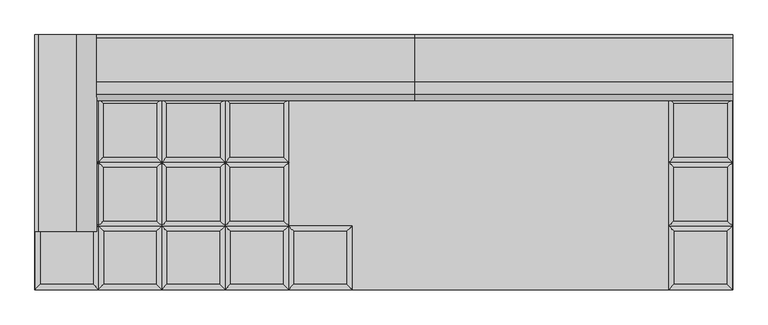
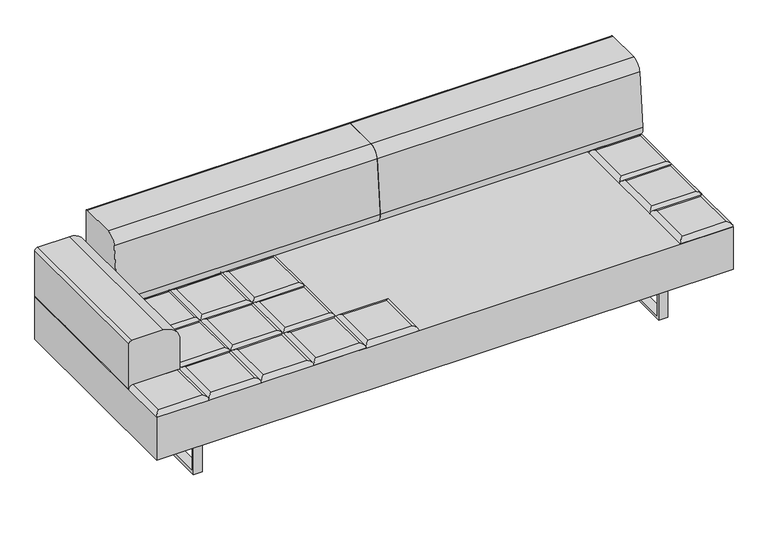
"""IFC4 building model written with IfcOpenShell, lengths in millimetres: furniture geometry."""

from ifc_helpers import new_model, si_unit, point, frame, frame_2d, origin, place, context, project, spatial, polyline, circle_curve, ellipse_curve, trimmed, segment, composite_curve, outline, extrude, source, transform, mapped, element, save
from ifc_brep_helpers import plane_surface, cylinder_surface, advanced_brep


def furniture_b0fe46d1(model_context):
    return source(origin(), model_context, "Body", "SolidModel", [
        advanced_brep(
        [(-109.855, -222.25, 393.7), (-127.8155122, -240.2105122, 411.6605122), (-127.8155122, -426.5394878, 411.6605122), (-109.855, -444.5, 393.7), (-314.1444878, -426.5394878, 411.6605122), (-332.105, -444.5, 393.7), (-314.1444878, -240.2105122, 411.6605122), (-332.105, -222.25, 393.7)],
        [
            (0, 1, ellipse_curve(frame((-127.8155122, -240.2105122, 393.7), z_axis=(0.7071067811865475, -0.7071067811865475, 0.0), x_axis=(0.7071067811865474, 0.7071067811865476, 0.0)), 25.4, 17.9605122)),
            (1, 2),
            (2, 3, ellipse_curve(frame((-127.8155122, -426.5394878, 393.7), z_axis=(0.7071067811865475, 0.7071067811865475, 0.0), x_axis=(-0.7071067811865474, 0.7071067811865476, 0.0)), 25.4, 17.9605122)),
            (3, 0),
            (2, 4),
            (4, 5, ellipse_curve(frame((-314.1444878, -426.5394878, 393.7), z_axis=(0.7071067811865475, -0.7071067811865475, 0.0), x_axis=(0.7071067811865476, 0.7071067811865474, 0.0)), 25.4, 17.9605122)),
            (5, 3),
            (4, 6),
            (6, 7, ellipse_curve(frame((-314.1444878, -240.2105122, 393.7), z_axis=(-0.7071067811865475, -0.7071067811865475, 0.0), x_axis=(0.7071067811865474, -0.7071067811865476, 0.0)), 25.4, 17.9605122)),
            (7, 5),
            (0, 7),
            (6, 1),
        ],
        [
            cylinder_surface(frame((-127.8155122, -222.25, 393.7), z_axis=(0.0, 1.0, 0.0), x_axis=(1.0, 0.0, 0.0)), 17.9605122),
            cylinder_surface(frame((-109.855, -426.5394878, 393.7), z_axis=(1.0, 0.0, 0.0), x_axis=(0.0, -1.0, 0.0)), 17.9605122),
            cylinder_surface(frame((-314.1444878, -444.5, 393.7), z_axis=(0.0, -1.0, 0.0), x_axis=(-1.0, 0.0, 0.0)), 17.9605122),
            cylinder_surface(frame((-332.105, -240.2105122, 393.7), z_axis=(-1.0, 0.0, 0.0), x_axis=(0.0, 1.0, 0.0)), 17.9605122),
            plane_surface(frame((-332.105, -222.25, 393.7), z_axis=(0.0, 0.0, -1.0), x_axis=(1.0, 0.0, 0.0))),
            plane_surface(frame((-314.1444878, -240.2105122, 411.6605122), z_axis=(0.0, 0.0, 1.0), x_axis=(-1.0, 0.0, 0.0))),
        ],
        [
            (0, [[1, 2, 3, 4]]),
            (1, [[-3, 5, 6, 7]]),
            (2, [[-6, 8, 9, 10]]),
            (3, [[-1, 11, -9, 12]]),
            (4, [[-4, -7, -10, -11]]),
            (5, [[-2, -12, -8, -5]]),
        ],
    ),
        advanced_brep(
        [(-348.7955122, -204.2894878, 411.6605122), (-348.7955122, -17.9605122, 411.6605122), (-535.1244878, -17.9605122, 411.6605122), (-535.1244878, -204.2894878, 411.6605122), (-330.835, 0.0, 393.7), (-330.835, -222.25, 393.7), (-553.085, -222.25, 393.7), (-553.085, 0.0, 393.7)],
        [
            (0, 1),
            (1, 2),
            (2, 3),
            (3, 0),
            (4, 5),
            (5, 6),
            (6, 7),
            (7, 4),
            (4, 1, ellipse_curve(frame((-348.7955122, -17.9605122, 393.7), z_axis=(0.7071067811865475, -0.7071067811865475, 0.0), x_axis=(0.7071067811865474, 0.7071067811865476, 0.0)), 25.4, 17.9605122)),
            (0, 5, ellipse_curve(frame((-348.7955122, -204.2894878, 393.7), z_axis=(0.7071067811865475, 0.7071067811865475, 0.0), x_axis=(-0.7071067811865474, 0.7071067811865476, 0.0)), 25.4, 17.9605122)),
            (3, 6, ellipse_curve(frame((-535.1244878, -204.2894878, 393.7), z_axis=(0.7071067811865475, -0.7071067811865475, 0.0), x_axis=(0.7071067811865476, 0.7071067811865474, 0.0)), 25.4, 17.9605122)),
            (2, 7, ellipse_curve(frame((-535.1244878, -17.9605122, 393.7), z_axis=(-0.7071067811865475, -0.7071067811865475, 0.0), x_axis=(0.7071067811865474, -0.7071067811865476, 0.0)), 25.4, 17.9605122)),
        ],
        [
            plane_surface(frame((-535.1244878, -17.9605122, 411.6605122), z_axis=(0.0, 0.0, 1.0), x_axis=(-1.0, 0.0, 0.0))),
            plane_surface(frame((-535.1244878, -17.9605122, 393.7), z_axis=(0.0, 0.0, -1.0), x_axis=(1.0, 0.0, 0.0))),
            cylinder_surface(frame((-348.7955122, 0.0, 393.7), z_axis=(0.0, 1.0, 0.0), x_axis=(1.0, 0.0, 0.0)), 17.9605122),
            cylinder_surface(frame((-330.835, -204.2894878, 393.7), z_axis=(1.0, 0.0, 0.0), x_axis=(0.0, -1.0, 0.0)), 17.9605122),
            cylinder_surface(frame((-535.1244878, -222.25, 393.7), z_axis=(0.0, -1.0, 0.0), x_axis=(-1.0, 0.0, 0.0)), 17.9605122),
            cylinder_surface(frame((-553.085, -17.9605122, 393.7), z_axis=(-1.0, 0.0, 0.0), x_axis=(0.0, 1.0, 0.0)), 17.9605122),
        ],
        [
            (0, [[1, 2, 3, 4]]),
            (1, [[5, 6, 7, 8]]),
            (2, [[9, -1, 10, -5]]),
            (3, [[-10, -4, 11, -6]]),
            (4, [[-11, -3, 12, -7]]),
            (5, [[-9, -8, -12, -2]]),
        ],
    ),
        advanced_brep(
        [(-348.7955122, 17.9605122, 411.6605122), (-348.7955122, 204.2894878, 411.6605122), (-535.1244878, 204.2894878, 411.6605122), (-535.1244878, 17.9605122, 411.6605122), (-330.835, 222.25, 393.7), (-330.835, 0.0, 393.7), (-553.085, 0.0, 393.7), (-553.085, 222.25, 393.7)],
        [
            (0, 1),
            (1, 2),
            (2, 3),
            (3, 0),
            (4, 5),
            (5, 6),
            (6, 7),
            (7, 4),
            (4, 1, ellipse_curve(frame((-348.7955122, 204.2894878, 393.7), z_axis=(0.7071067811865475, -0.7071067811865475, 0.0), x_axis=(0.7071067811865474, 0.7071067811865476, 0.0)), 25.4, 17.9605122)),
            (0, 5, ellipse_curve(frame((-348.7955122, 17.9605122, 393.7), z_axis=(0.7071067811865475, 0.7071067811865475, 0.0), x_axis=(-0.7071067811865474, 0.7071067811865476, 0.0)), 25.4, 17.9605122)),
            (3, 6, ellipse_curve(frame((-535.1244878, 17.9605122, 393.7), z_axis=(0.7071067811865475, -0.7071067811865475, 0.0), x_axis=(0.7071067811865476, 0.7071067811865474, 0.0)), 25.4, 17.9605122)),
            (2, 7, ellipse_curve(frame((-535.1244878, 204.2894878, 393.7), z_axis=(-0.7071067811865475, -0.7071067811865475, 0.0), x_axis=(0.7071067811865474, -0.7071067811865476, 0.0)), 25.4, 17.9605122)),
        ],
        [
            plane_surface(frame((-535.1244878, 204.2894878, 411.6605122), z_axis=(0.0, 0.0, 1.0), x_axis=(-1.0, 0.0, 0.0))),
            plane_surface(frame((-535.1244878, 204.2894878, 393.7), z_axis=(0.0, 0.0, -1.0), x_axis=(1.0, 0.0, 0.0))),
            cylinder_surface(frame((-348.7955122, 222.25, 393.7), z_axis=(0.0, 1.0, 0.0), x_axis=(1.0, 0.0, 0.0)), 17.9605122),
            cylinder_surface(frame((-330.835, 17.9605122, 393.7), z_axis=(1.0, 0.0, 0.0), x_axis=(0.0, -1.0, 0.0)), 17.9605122),
            cylinder_surface(frame((-535.1244878, 0.0, 393.7), z_axis=(0.0, -1.0, 0.0), x_axis=(-1.0, 0.0, 0.0)), 17.9605122),
            cylinder_surface(frame((-553.085, 204.2894878, 393.7), z_axis=(-1.0, 0.0, 0.0), x_axis=(0.0, 1.0, 0.0)), 17.9605122),
        ],
        [
            (0, [[1, 2, 3, 4]]),
            (1, [[5, 6, 7, 8]]),
            (2, [[9, -1, 10, -5]]),
            (3, [[-10, -4, 11, -6]]),
            (4, [[-11, -3, 12, -7]]),
            (5, [[-9, -8, -12, -2]]),
        ],
    ),
        advanced_brep(
        [(-348.7955122, 240.2105122, 411.6605122), (-348.7955122, 426.5394878, 411.6605122), (-535.1244878, 426.5394878, 411.6605122), (-535.1244878, 240.2105122, 411.6605122), (-330.835, 444.5, 393.7), (-330.835, 222.25, 393.7), (-553.085, 222.25, 393.7), (-553.085, 444.5, 393.7)],
        [
            (0, 1),
            (1, 2),
            (2, 3),
            (3, 0),
            (4, 5),
            (5, 6),
            (6, 7),
            (7, 4),
            (4, 1, ellipse_curve(frame((-348.7955122, 426.5394878, 393.7), z_axis=(0.7071067811865475, -0.7071067811865475, 0.0), x_axis=(0.7071067811865474, 0.7071067811865476, 0.0)), 25.4, 17.9605122)),
            (0, 5, ellipse_curve(frame((-348.7955122, 240.2105122, 393.7), z_axis=(0.7071067811865475, 0.7071067811865475, 0.0), x_axis=(-0.7071067811865474, 0.7071067811865476, 0.0)), 25.4, 17.9605122)),
            (3, 6, ellipse_curve(frame((-535.1244878, 240.2105122, 393.7), z_axis=(0.7071067811865475, -0.7071067811865475, 0.0), x_axis=(0.7071067811865476, 0.7071067811865474, 0.0)), 25.4, 17.9605122)),
            (2, 7, ellipse_curve(frame((-535.1244878, 426.5394878, 393.7), z_axis=(-0.7071067811865475, -0.7071067811865475, 0.0), x_axis=(0.7071067811865474, -0.7071067811865476, 0.0)), 25.4, 17.9605122)),
        ],
        [
            plane_surface(frame((-535.1244878, 426.5394878, 411.6605122), z_axis=(0.0, 0.0, 1.0), x_axis=(-1.0, 0.0, 0.0))),
            plane_surface(frame((-535.1244878, 426.5394878, 393.7), z_axis=(0.0, 0.0, -1.0), x_axis=(1.0, 0.0, 0.0))),
            cylinder_surface(frame((-348.7955122, 444.5, 393.7), z_axis=(0.0, 1.0, 0.0), x_axis=(1.0, 0.0, 0.0)), 17.9605122),
            cylinder_surface(frame((-330.835, 240.2105122, 393.7), z_axis=(1.0, 0.0, 0.0), x_axis=(0.0, -1.0, 0.0)), 17.9605122),
            cylinder_surface(frame((-535.1244878, 222.25, 393.7), z_axis=(0.0, -1.0, 0.0), x_axis=(-1.0, 0.0, 0.0)), 17.9605122),
            cylinder_surface(frame((-553.085, 426.5394878, 393.7), z_axis=(-1.0, 0.0, 0.0), x_axis=(0.0, 1.0, 0.0)), 17.9605122),
        ],
        [
            (0, [[1, 2, 3, 4]]),
            (1, [[5, 6, 7, 8]]),
            (2, [[9, -1, 10, -5]]),
            (3, [[-10, -4, 11, -6]]),
            (4, [[-11, -3, 12, -7]]),
            (5, [[-9, -8, -12, -2]]),
        ],
    ),
        advanced_brep(
        [(-330.835, -222.25, 393.7), (-348.7955122, -240.2105122, 411.6605122), (-348.7955122, -426.5394878, 411.6605122), (-330.835, -444.5, 393.7), (-535.1244878, -426.5394878, 411.6605122), (-553.085, -444.5, 393.7), (-535.1244878, -240.2105122, 411.6605122), (-553.085, -222.25, 393.7)],
        [
            (0, 1, ellipse_curve(frame((-348.7955122, -240.2105122, 393.7), z_axis=(0.7071067811865475, -0.7071067811865475, 0.0), x_axis=(0.7071067811865474, 0.7071067811865476, 0.0)), 25.4, 17.9605122)),
            (1, 2),
            (2, 3, ellipse_curve(frame((-348.7955122, -426.5394878, 393.7), z_axis=(0.7071067811865475, 0.7071067811865475, 0.0), x_axis=(-0.7071067811865474, 0.7071067811865476, 0.0)), 25.4, 17.9605122)),
            (3, 0),
            (2, 4),
            (4, 5, ellipse_curve(frame((-535.1244878, -426.5394878, 393.7), z_axis=(0.7071067811865475, -0.7071067811865475, 0.0), x_axis=(0.7071067811865476, 0.7071067811865474, 0.0)), 25.4, 17.9605122)),
            (5, 3),
            (4, 6),
            (6, 7, ellipse_curve(frame((-535.1244878, -240.2105122, 393.7), z_axis=(-0.7071067811865475, -0.7071067811865475, 0.0), x_axis=(0.7071067811865474, -0.7071067811865476, 0.0)), 25.4, 17.9605122)),
            (7, 5),
            (0, 7),
            (6, 1),
        ],
        [
            cylinder_surface(frame((-348.7955122, -222.25, 393.7), z_axis=(0.0, 1.0, 0.0), x_axis=(1.0, 0.0, 0.0)), 17.9605122),
            cylinder_surface(frame((-330.835, -426.5394878, 393.7), z_axis=(1.0, 0.0, 0.0), x_axis=(0.0, -1.0, 0.0)), 17.9605122),
            cylinder_surface(frame((-535.1244878, -444.5, 393.7), z_axis=(0.0, -1.0, 0.0), x_axis=(-1.0, 0.0, 0.0)), 17.9605122),
            cylinder_surface(frame((-553.085, -240.2105122, 393.7), z_axis=(-1.0, 0.0, 0.0), x_axis=(0.0, 1.0, 0.0)), 17.9605122),
            plane_surface(frame((-553.085, -222.25, 393.7), z_axis=(0.0, 0.0, -1.0), x_axis=(1.0, 0.0, 0.0))),
            plane_surface(frame((-535.1244878, -240.2105122, 411.6605122), z_axis=(0.0, 0.0, 1.0), x_axis=(-1.0, 0.0, 0.0))),
        ],
        [
            (0, [[1, 2, 3, 4]]),
            (1, [[-3, 5, 6, 7]]),
            (2, [[-6, 8, 9, 10]]),
            (3, [[-1, 11, -9, 12]]),
            (4, [[-4, -7, -10, -11]]),
            (5, [[-2, -12, -8, -5]]),
        ],
    ),
        advanced_brep(
        [(-569.7755122, -204.2894878, 411.6605122), (-569.7755122, -17.9605122, 411.6605122), (-756.1044878, -17.9605122, 411.6605122), (-756.1044878, -204.2894878, 411.6605122), (-551.815, 0.0, 393.7), (-551.815, -222.25, 393.7), (-774.065, -222.25, 393.7), (-774.065, 0.0, 393.7)],
        [
            (0, 1),
            (1, 2),
            (2, 3),
            (3, 0),
            (4, 5),
            (5, 6),
            (6, 7),
            (7, 4),
            (4, 1, ellipse_curve(frame((-569.7755122, -17.9605122, 393.7), z_axis=(0.7071067811865475, -0.7071067811865475, 0.0), x_axis=(0.7071067811865474, 0.7071067811865476, 0.0)), 25.4, 17.9605122)),
            (0, 5, ellipse_curve(frame((-569.7755122, -204.2894878, 393.7), z_axis=(0.7071067811865475, 0.7071067811865475, 0.0), x_axis=(-0.7071067811865474, 0.7071067811865476, 0.0)), 25.4, 17.9605122)),
            (3, 6, ellipse_curve(frame((-756.1044878, -204.2894878, 393.7), z_axis=(0.7071067811865475, -0.7071067811865475, 0.0), x_axis=(0.7071067811865476, 0.7071067811865474, 0.0)), 25.4, 17.9605122)),
            (2, 7, ellipse_curve(frame((-756.1044878, -17.9605122, 393.7), z_axis=(-0.7071067811865475, -0.7071067811865475, 0.0), x_axis=(0.7071067811865474, -0.7071067811865476, 0.0)), 25.4, 17.9605122)),
        ],
        [
            plane_surface(frame((-756.1044878, -17.9605122, 411.6605122), z_axis=(0.0, 0.0, 1.0), x_axis=(-1.0, 0.0, 0.0))),
            plane_surface(frame((-756.1044878, -17.9605122, 393.7), z_axis=(0.0, 0.0, -1.0), x_axis=(1.0, 0.0, 0.0))),
            cylinder_surface(frame((-569.7755122, 0.0, 393.7), z_axis=(0.0, 1.0, 0.0), x_axis=(1.0, 0.0, 0.0)), 17.9605122),
            cylinder_surface(frame((-551.815, -204.2894878, 393.7), z_axis=(1.0, 0.0, 0.0), x_axis=(0.0, -1.0, 0.0)), 17.9605122),
            cylinder_surface(frame((-756.1044878, -222.25, 393.7), z_axis=(0.0, -1.0, 0.0), x_axis=(-1.0, 0.0, 0.0)), 17.9605122),
            cylinder_surface(frame((-774.065, -17.9605122, 393.7), z_axis=(-1.0, 0.0, 0.0), x_axis=(0.0, 1.0, 0.0)), 17.9605122),
        ],
        [
            (0, [[1, 2, 3, 4]]),
            (1, [[5, 6, 7, 8]]),
            (2, [[9, -1, 10, -5]]),
            (3, [[-10, -4, 11, -6]]),
            (4, [[-11, -3, 12, -7]]),
            (5, [[-9, -8, -12, -2]]),
        ],
    ),
        advanced_brep(
        [(-569.7755122, 17.9605122, 411.6605122), (-569.7755122, 204.2894878, 411.6605122), (-756.1044878, 204.2894878, 411.6605122), (-756.1044878, 17.9605122, 411.6605122), (-551.815, 222.25, 393.7), (-551.815, 0.0, 393.7), (-774.065, 0.0, 393.7), (-774.065, 222.25, 393.7)],
        [
            (0, 1),
            (1, 2),
            (2, 3),
            (3, 0),
            (4, 5),
            (5, 6),
            (6, 7),
            (7, 4),
            (4, 1, ellipse_curve(frame((-569.7755122, 204.2894878, 393.7), z_axis=(0.7071067811865475, -0.7071067811865475, 0.0), x_axis=(0.7071067811865474, 0.7071067811865476, 0.0)), 25.4, 17.9605122)),
            (0, 5, ellipse_curve(frame((-569.7755122, 17.9605122, 393.7), z_axis=(0.7071067811865475, 0.7071067811865475, 0.0), x_axis=(-0.7071067811865474, 0.7071067811865476, 0.0)), 25.4, 17.9605122)),
            (3, 6, ellipse_curve(frame((-756.1044878, 17.9605122, 393.7), z_axis=(0.7071067811865475, -0.7071067811865475, 0.0), x_axis=(0.7071067811865476, 0.7071067811865474, 0.0)), 25.4, 17.9605122)),
            (2, 7, ellipse_curve(frame((-756.1044878, 204.2894878, 393.7), z_axis=(-0.7071067811865475, -0.7071067811865475, 0.0), x_axis=(0.7071067811865474, -0.7071067811865476, 0.0)), 25.4, 17.9605122)),
        ],
        [
            plane_surface(frame((-756.1044878, 204.2894878, 411.6605122), z_axis=(0.0, 0.0, 1.0), x_axis=(-1.0, 0.0, 0.0))),
            plane_surface(frame((-756.1044878, 204.2894878, 393.7), z_axis=(0.0, 0.0, -1.0), x_axis=(1.0, 0.0, 0.0))),
            cylinder_surface(frame((-569.7755122, 222.25, 393.7), z_axis=(0.0, 1.0, 0.0), x_axis=(1.0, 0.0, 0.0)), 17.9605122),
            cylinder_surface(frame((-551.815, 17.9605122, 393.7), z_axis=(1.0, 0.0, 0.0), x_axis=(0.0, -1.0, 0.0)), 17.9605122),
            cylinder_surface(frame((-756.1044878, 0.0, 393.7), z_axis=(0.0, -1.0, 0.0), x_axis=(-1.0, 0.0, 0.0)), 17.9605122),
            cylinder_surface(frame((-774.065, 204.2894878, 393.7), z_axis=(-1.0, 0.0, 0.0), x_axis=(0.0, 1.0, 0.0)), 17.9605122),
        ],
        [
            (0, [[1, 2, 3, 4]]),
            (1, [[5, 6, 7, 8]]),
            (2, [[9, -1, 10, -5]]),
            (3, [[-10, -4, 11, -6]]),
            (4, [[-11, -3, 12, -7]]),
            (5, [[-9, -8, -12, -2]]),
        ],
    ),
        advanced_brep(
        [(-569.7755122, 240.2105122, 411.6605122), (-569.7755122, 426.5394878, 411.6605122), (-756.1044878, 426.5394878, 411.6605122), (-756.1044878, 240.2105122, 411.6605122), (-551.815, 444.5, 393.7), (-551.815, 222.25, 393.7), (-774.065, 222.25, 393.7), (-774.065, 444.5, 393.7)],
        [
            (0, 1),
            (1, 2),
            (2, 3),
            (3, 0),
            (4, 5),
            (5, 6),
            (6, 7),
            (7, 4),
            (4, 1, ellipse_curve(frame((-569.7755122, 426.5394878, 393.7), z_axis=(0.7071067811865475, -0.7071067811865475, 0.0), x_axis=(0.7071067811865474, 0.7071067811865476, 0.0)), 25.4, 17.9605122)),
            (0, 5, ellipse_curve(frame((-569.7755122, 240.2105122, 393.7), z_axis=(0.7071067811865475, 0.7071067811865475, 0.0), x_axis=(-0.7071067811865474, 0.7071067811865476, 0.0)), 25.4, 17.9605122)),
            (3, 6, ellipse_curve(frame((-756.1044878, 240.2105122, 393.7), z_axis=(0.7071067811865475, -0.7071067811865475, 0.0), x_axis=(0.7071067811865476, 0.7071067811865474, 0.0)), 25.4, 17.9605122)),
            (2, 7, ellipse_curve(frame((-756.1044878, 426.5394878, 393.7), z_axis=(-0.7071067811865475, -0.7071067811865475, 0.0), x_axis=(0.7071067811865474, -0.7071067811865476, 0.0)), 25.4, 17.9605122)),
        ],
        [
            plane_surface(frame((-756.1044878, 426.5394878, 411.6605122), z_axis=(0.0, 0.0, 1.0), x_axis=(-1.0, 0.0, 0.0))),
            plane_surface(frame((-756.1044878, 426.5394878, 393.7), z_axis=(0.0, 0.0, -1.0), x_axis=(1.0, 0.0, 0.0))),
            cylinder_surface(frame((-569.7755122, 444.5, 393.7), z_axis=(0.0, 1.0, 0.0), x_axis=(1.0, 0.0, 0.0)), 17.9605122),
            cylinder_surface(frame((-551.815, 240.2105122, 393.7), z_axis=(1.0, 0.0, 0.0), x_axis=(0.0, -1.0, 0.0)), 17.9605122),
            cylinder_surface(frame((-756.1044878, 222.25, 393.7), z_axis=(0.0, -1.0, 0.0), x_axis=(-1.0, 0.0, 0.0)), 17.9605122),
            cylinder_surface(frame((-774.065, 426.5394878, 393.7), z_axis=(-1.0, 0.0, 0.0), x_axis=(0.0, 1.0, 0.0)), 17.9605122),
        ],
        [
            (0, [[1, 2, 3, 4]]),
            (1, [[5, 6, 7, 8]]),
            (2, [[9, -1, 10, -5]]),
            (3, [[-10, -4, 11, -6]]),
            (4, [[-11, -3, 12, -7]]),
            (5, [[-9, -8, -12, -2]]),
        ],
    ),
        advanced_brep(
        [(-551.815, -222.25, 393.7), (-569.7755122, -240.2105122, 411.6605122), (-569.7755122, -426.5394878, 411.6605122), (-551.815, -444.5, 393.7), (-756.1044878, -426.5394878, 411.6605122), (-774.065, -444.5, 393.7), (-756.1044878, -240.2105122, 411.6605122), (-774.065, -222.25, 393.7)],
        [
            (0, 1, ellipse_curve(frame((-569.7755122, -240.2105122, 393.7), z_axis=(0.7071067811865475, -0.7071067811865475, 0.0), x_axis=(0.7071067811865474, 0.7071067811865476, 0.0)), 25.4, 17.9605122)),
            (1, 2),
            (2, 3, ellipse_curve(frame((-569.7755122, -426.5394878, 393.7), z_axis=(0.7071067811865475, 0.7071067811865475, 0.0), x_axis=(-0.7071067811865474, 0.7071067811865476, 0.0)), 25.4, 17.9605122)),
            (3, 0),
            (2, 4),
            (4, 5, ellipse_curve(frame((-756.1044878, -426.5394878, 393.7), z_axis=(0.7071067811865475, -0.7071067811865475, 0.0), x_axis=(0.7071067811865476, 0.7071067811865474, 0.0)), 25.4, 17.9605122)),
            (5, 3),
            (4, 6),
            (6, 7, ellipse_curve(frame((-756.1044878, -240.2105122, 393.7), z_axis=(-0.7071067811865475, -0.7071067811865475, 0.0), x_axis=(0.7071067811865474, -0.7071067811865476, 0.0)), 25.4, 17.9605122)),
            (7, 5),
            (0, 7),
            (6, 1),
        ],
        [
            cylinder_surface(frame((-569.7755122, -222.25, 393.7), z_axis=(0.0, 1.0, 0.0), x_axis=(1.0, 0.0, 0.0)), 17.9605122),
            cylinder_surface(frame((-551.815, -426.5394878, 393.7), z_axis=(1.0, 0.0, 0.0), x_axis=(0.0, -1.0, 0.0)), 17.9605122),
            cylinder_surface(frame((-756.1044878, -444.5, 393.7), z_axis=(0.0, -1.0, 0.0), x_axis=(-1.0, 0.0, 0.0)), 17.9605122),
            cylinder_surface(frame((-774.065, -240.2105122, 393.7), z_axis=(-1.0, 0.0, 0.0), x_axis=(0.0, 1.0, 0.0)), 17.9605122),
            plane_surface(frame((-774.065, -222.25, 393.7), z_axis=(0.0, 0.0, -1.0), x_axis=(1.0, 0.0, 0.0))),
            plane_surface(frame((-756.1044878, -240.2105122, 411.6605122), z_axis=(0.0, 0.0, 1.0), x_axis=(-1.0, 0.0, 0.0))),
        ],
        [
            (0, [[1, 2, 3, 4]]),
            (1, [[-3, 5, 6, 7]]),
            (2, [[-6, 8, 9, 10]]),
            (3, [[-1, 11, -9, 12]]),
            (4, [[-4, -7, -10, -11]]),
            (5, [[-2, -12, -8, -5]]),
        ],
    ),
        advanced_brep(
        [(-790.7555122, -204.2894878, 411.6605122), (-790.7555122, -17.9605122, 411.6605122), (-977.0844878, -17.9605122, 411.6605122), (-977.0844878, -204.2894878, 411.6605122), (-772.795, 0.0, 393.7), (-772.795, -222.25, 393.7), (-995.045, -222.25, 393.7), (-995.045, 0.0, 393.7)],
        [
            (0, 1),
            (1, 2),
            (2, 3),
            (3, 0),
            (4, 5),
            (5, 6),
            (6, 7),
            (7, 4),
            (4, 1, ellipse_curve(frame((-790.7555122, -17.9605122, 393.7), z_axis=(0.7071067811865475, -0.7071067811865475, 0.0), x_axis=(0.7071067811865474, 0.7071067811865476, 0.0)), 25.4, 17.9605122)),
            (0, 5, ellipse_curve(frame((-790.7555122, -204.2894878, 393.7), z_axis=(0.7071067811865475, 0.7071067811865475, 0.0), x_axis=(-0.7071067811865474, 0.7071067811865476, 0.0)), 25.4, 17.9605122)),
            (3, 6, ellipse_curve(frame((-977.0844878, -204.2894878, 393.7), z_axis=(0.7071067811865475, -0.7071067811865475, 0.0), x_axis=(0.7071067811865476, 0.7071067811865474, 0.0)), 25.4, 17.9605122)),
            (2, 7, ellipse_curve(frame((-977.0844878, -17.9605122, 393.7), z_axis=(-0.7071067811865475, -0.7071067811865475, 0.0), x_axis=(0.7071067811865474, -0.7071067811865476, 0.0)), 25.4, 17.9605122)),
        ],
        [
            plane_surface(frame((-977.0844878, -17.9605122, 411.6605122), z_axis=(0.0, 0.0, 1.0), x_axis=(-1.0, 0.0, 0.0))),
            plane_surface(frame((-977.0844878, -17.9605122, 393.7), z_axis=(0.0, 0.0, -1.0), x_axis=(1.0, 0.0, 0.0))),
            cylinder_surface(frame((-790.7555122, 0.0, 393.7), z_axis=(0.0, 1.0, 0.0), x_axis=(1.0, 0.0, 0.0)), 17.9605122),
            cylinder_surface(frame((-772.795, -204.2894878, 393.7), z_axis=(1.0, 0.0, 0.0), x_axis=(0.0, -1.0, 0.0)), 17.9605122),
            cylinder_surface(frame((-977.0844878, -222.25, 393.7), z_axis=(0.0, -1.0, 0.0), x_axis=(-1.0, 0.0, 0.0)), 17.9605122),
            cylinder_surface(frame((-995.045, -17.9605122, 393.7), z_axis=(-1.0, 0.0, 0.0), x_axis=(0.0, 1.0, 0.0)), 17.9605122),
        ],
        [
            (0, [[1, 2, 3, 4]]),
            (1, [[5, 6, 7, 8]]),
            (2, [[9, -1, 10, -5]]),
            (3, [[-10, -4, 11, -6]]),
            (4, [[-11, -3, 12, -7]]),
            (5, [[-9, -8, -12, -2]]),
        ],
    ),
        advanced_brep(
        [(-790.7555122, 17.9605122, 411.6605122), (-790.7555122, 204.2894878, 411.6605122), (-977.0844878, 204.2894878, 411.6605122), (-977.0844878, 17.9605122, 411.6605122), (-772.795, 222.25, 393.7), (-772.795, 0.0, 393.7), (-995.045, 0.0, 393.7), (-995.045, 222.25, 393.7)],
        [
            (0, 1),
            (1, 2),
            (2, 3),
            (3, 0),
            (4, 5),
            (5, 6),
            (6, 7),
            (7, 4),
            (4, 1, ellipse_curve(frame((-790.7555122, 204.2894878, 393.7), z_axis=(0.7071067811865475, -0.7071067811865475, 0.0), x_axis=(0.7071067811865474, 0.7071067811865476, 0.0)), 25.4, 17.9605122)),
            (0, 5, ellipse_curve(frame((-790.7555122, 17.9605122, 393.7), z_axis=(0.7071067811865475, 0.7071067811865475, 0.0), x_axis=(-0.7071067811865474, 0.7071067811865476, 0.0)), 25.4, 17.9605122)),
            (3, 6, ellipse_curve(frame((-977.0844878, 17.9605122, 393.7), z_axis=(0.7071067811865475, -0.7071067811865475, 0.0), x_axis=(0.7071067811865476, 0.7071067811865474, 0.0)), 25.4, 17.9605122)),
            (2, 7, ellipse_curve(frame((-977.0844878, 204.2894878, 393.7), z_axis=(-0.7071067811865475, -0.7071067811865475, 0.0), x_axis=(0.7071067811865474, -0.7071067811865476, 0.0)), 25.4, 17.9605122)),
        ],
        [
            plane_surface(frame((-977.0844878, 204.2894878, 411.6605122), z_axis=(0.0, 0.0, 1.0), x_axis=(-1.0, 0.0, 0.0))),
            plane_surface(frame((-977.0844878, 204.2894878, 393.7), z_axis=(0.0, 0.0, -1.0), x_axis=(1.0, 0.0, 0.0))),
            cylinder_surface(frame((-790.7555122, 222.25, 393.7), z_axis=(0.0, 1.0, 0.0), x_axis=(1.0, 0.0, 0.0)), 17.9605122),
            cylinder_surface(frame((-772.795, 17.9605122, 393.7), z_axis=(1.0, 0.0, 0.0), x_axis=(0.0, -1.0, 0.0)), 17.9605122),
            cylinder_surface(frame((-977.0844878, 0.0, 393.7), z_axis=(0.0, -1.0, 0.0), x_axis=(-1.0, 0.0, 0.0)), 17.9605122),
            cylinder_surface(frame((-995.045, 204.2894878, 393.7), z_axis=(-1.0, 0.0, 0.0), x_axis=(0.0, 1.0, 0.0)), 17.9605122),
        ],
        [
            (0, [[1, 2, 3, 4]]),
            (1, [[5, 6, 7, 8]]),
            (2, [[9, -1, 10, -5]]),
            (3, [[-10, -4, 11, -6]]),
            (4, [[-11, -3, 12, -7]]),
            (5, [[-9, -8, -12, -2]]),
        ],
    ),
        advanced_brep(
        [(-790.7555122, 240.2105122, 411.6605122), (-790.7555122, 426.5394878, 411.6605122), (-977.0844878, 426.5394878, 411.6605122), (-977.0844878, 240.2105122, 411.6605122), (-772.795, 444.5, 393.7), (-772.795, 222.25, 393.7), (-995.045, 222.25, 393.7), (-995.045, 444.5, 393.7)],
        [
            (0, 1),
            (1, 2),
            (2, 3),
            (3, 0),
            (4, 5),
            (5, 6),
            (6, 7),
            (7, 4),
            (4, 1, ellipse_curve(frame((-790.7555122, 426.5394878, 393.7), z_axis=(0.7071067811865475, -0.7071067811865475, 0.0), x_axis=(0.7071067811865474, 0.7071067811865476, 0.0)), 25.4, 17.9605122)),
            (0, 5, ellipse_curve(frame((-790.7555122, 240.2105122, 393.7), z_axis=(0.7071067811865475, 0.7071067811865475, 0.0), x_axis=(-0.7071067811865474, 0.7071067811865476, 0.0)), 25.4, 17.9605122)),
            (3, 6, ellipse_curve(frame((-977.0844878, 240.2105122, 393.7), z_axis=(0.7071067811865475, -0.7071067811865475, 0.0), x_axis=(0.7071067811865476, 0.7071067811865474, 0.0)), 25.4, 17.9605122)),
            (2, 7, ellipse_curve(frame((-977.0844878, 426.5394878, 393.7), z_axis=(-0.7071067811865475, -0.7071067811865475, 0.0), x_axis=(0.7071067811865474, -0.7071067811865476, 0.0)), 25.4, 17.9605122)),
        ],
        [
            plane_surface(frame((-977.0844878, 426.5394878, 411.6605122), z_axis=(0.0, 0.0, 1.0), x_axis=(-1.0, 0.0, 0.0))),
            plane_surface(frame((-977.0844878, 426.5394878, 393.7), z_axis=(0.0, 0.0, -1.0), x_axis=(1.0, 0.0, 0.0))),
            cylinder_surface(frame((-790.7555122, 444.5, 393.7), z_axis=(0.0, 1.0, 0.0), x_axis=(1.0, 0.0, 0.0)), 17.9605122),
            cylinder_surface(frame((-772.795, 240.2105122, 393.7), z_axis=(1.0, 0.0, 0.0), x_axis=(0.0, -1.0, 0.0)), 17.9605122),
            cylinder_surface(frame((-977.0844878, 222.25, 393.7), z_axis=(0.0, -1.0, 0.0), x_axis=(-1.0, 0.0, 0.0)), 17.9605122),
            cylinder_surface(frame((-995.045, 426.5394878, 393.7), z_axis=(-1.0, 0.0, 0.0), x_axis=(0.0, 1.0, 0.0)), 17.9605122),
        ],
        [
            (0, [[1, 2, 3, 4]]),
            (1, [[5, 6, 7, 8]]),
            (2, [[9, -1, 10, -5]]),
            (3, [[-10, -4, 11, -6]]),
            (4, [[-11, -3, 12, -7]]),
            (5, [[-9, -8, -12, -2]]),
        ],
    ),
        advanced_brep(
        [(-772.795, -222.25, 393.7), (-790.7555122, -240.2105122, 411.6605122), (-790.7555122, -426.5394878, 411.6605122), (-772.795, -444.5, 393.7), (-977.0844878, -426.5394878, 411.6605122), (-995.045, -444.5, 393.7), (-977.0844878, -240.2105122, 411.6605122), (-995.045, -222.25, 393.7)],
        [
            (0, 1, ellipse_curve(frame((-790.7555122, -240.2105122, 393.7), z_axis=(0.7071067811865475, -0.7071067811865475, 0.0), x_axis=(0.7071067811865474, 0.7071067811865476, 0.0)), 25.4, 17.9605122)),
            (1, 2),
            (2, 3, ellipse_curve(frame((-790.7555122, -426.5394878, 393.7), z_axis=(0.7071067811865475, 0.7071067811865475, 0.0), x_axis=(-0.7071067811865474, 0.7071067811865476, 0.0)), 25.4, 17.9605122)),
            (3, 0),
            (2, 4),
            (4, 5, ellipse_curve(frame((-977.0844878, -426.5394878, 393.7), z_axis=(0.7071067811865475, -0.7071067811865475, 0.0), x_axis=(0.7071067811865476, 0.7071067811865474, 0.0)), 25.4, 17.9605122)),
            (5, 3),
            (4, 6),
            (6, 7, ellipse_curve(frame((-977.0844878, -240.2105122, 393.7), z_axis=(-0.7071067811865475, -0.7071067811865475, 0.0), x_axis=(0.7071067811865474, -0.7071067811865476, 0.0)), 25.4, 17.9605122)),
            (7, 5),
            (0, 7),
            (6, 1),
        ],
        [
            cylinder_surface(frame((-790.7555122, -222.25, 393.7), z_axis=(0.0, 1.0, 0.0), x_axis=(1.0, 0.0, 0.0)), 17.9605122),
            cylinder_surface(frame((-772.795, -426.5394878, 393.7), z_axis=(1.0, 0.0, 0.0), x_axis=(0.0, -1.0, 0.0)), 17.9605122),
            cylinder_surface(frame((-977.0844878, -444.5, 393.7), z_axis=(0.0, -1.0, 0.0), x_axis=(-1.0, 0.0, 0.0)), 17.9605122),
            cylinder_surface(frame((-995.045, -240.2105122, 393.7), z_axis=(-1.0, 0.0, 0.0), x_axis=(0.0, 1.0, 0.0)), 17.9605122),
            plane_surface(frame((-995.045, -222.25, 393.7), z_axis=(0.0, 0.0, -1.0), x_axis=(1.0, 0.0, 0.0))),
            plane_surface(frame((-977.0844878, -240.2105122, 411.6605122), z_axis=(0.0, 0.0, 1.0), x_axis=(-1.0, 0.0, 0.0))),
        ],
        [
            (0, [[1, 2, 3, 4]]),
            (1, [[-3, 5, 6, 7]]),
            (2, [[-6, 8, 9, 10]]),
            (3, [[-1, 11, -9, 12]]),
            (4, [[-4, -7, -10, -11]]),
            (5, [[-2, -12, -8, -5]]),
        ],
    ),
        advanced_brep(
        [(1198.0644878, -204.2894878, 411.6605122), (1198.0644878, -17.9605122, 411.6605122), (1011.7355122, -17.9605122, 411.6605122), (1011.7355122, -204.2894878, 411.6605122), (1216.025, 0.0, 393.7), (1216.025, -222.25, 393.7), (993.775, -222.25, 393.7), (993.775, 0.0, 393.7)],
        [
            (0, 1),
            (1, 2),
            (2, 3),
            (3, 0),
            (4, 5),
            (5, 6),
            (6, 7),
            (7, 4),
            (4, 1, ellipse_curve(frame((1198.0644878, -17.9605122, 393.7), z_axis=(0.7071067811865475, -0.7071067811865475, 0.0), x_axis=(0.7071067811865474, 0.7071067811865476, 0.0)), 25.4, 17.9605122)),
            (0, 5, ellipse_curve(frame((1198.0644878, -204.2894878, 393.7), z_axis=(0.7071067811865475, 0.7071067811865475, 0.0), x_axis=(-0.7071067811865474, 0.7071067811865476, 0.0)), 25.4, 17.9605122)),
            (3, 6, ellipse_curve(frame((1011.7355122, -204.2894878, 393.7), z_axis=(0.7071067811865475, -0.7071067811865475, 0.0), x_axis=(0.7071067811865476, 0.7071067811865474, 0.0)), 25.4, 17.9605122)),
            (2, 7, ellipse_curve(frame((1011.7355122, -17.9605122, 393.7), z_axis=(-0.7071067811865475, -0.7071067811865475, 0.0), x_axis=(0.7071067811865474, -0.7071067811865476, 0.0)), 25.4, 17.9605122)),
        ],
        [
            plane_surface(frame((1011.7355122, -17.9605122, 411.6605122), z_axis=(0.0, 0.0, 1.0), x_axis=(-1.0, 0.0, 0.0))),
            plane_surface(frame((1011.7355122, -17.9605122, 393.7), z_axis=(0.0, 0.0, -1.0), x_axis=(1.0, 0.0, 0.0))),
            cylinder_surface(frame((1198.0644878, 0.0, 393.7), z_axis=(0.0, 1.0, 0.0), x_axis=(1.0, 0.0, 0.0)), 17.9605122),
            cylinder_surface(frame((1216.025, -204.2894878, 393.7), z_axis=(1.0, 0.0, 0.0), x_axis=(0.0, -1.0, 0.0)), 17.9605122),
            cylinder_surface(frame((1011.7355122, -222.25, 393.7), z_axis=(0.0, -1.0, 0.0), x_axis=(-1.0, 0.0, 0.0)), 17.9605122),
            cylinder_surface(frame((993.775, -17.9605122, 393.7), z_axis=(-1.0, 0.0, 0.0), x_axis=(0.0, 1.0, 0.0)), 17.9605122),
        ],
        [
            (0, [[1, 2, 3, 4]]),
            (1, [[5, 6, 7, 8]]),
            (2, [[9, -1, 10, -5]]),
            (3, [[-10, -4, 11, -6]]),
            (4, [[-11, -3, 12, -7]]),
            (5, [[-9, -8, -12, -2]]),
        ],
    ),
        advanced_brep(
        [(1198.0644878, 17.9605122, 411.6605122), (1198.0644878, 204.2894878, 411.6605122), (1011.7355122, 204.2894878, 411.6605122), (1011.7355122, 17.9605122, 411.6605122), (1216.025, 222.25, 393.7), (1216.025, 0.0, 393.7), (993.775, 0.0, 393.7), (993.775, 222.25, 393.7)],
        [
            (0, 1),
            (1, 2),
            (2, 3),
            (3, 0),
            (4, 5),
            (5, 6),
            (6, 7),
            (7, 4),
            (4, 1, ellipse_curve(frame((1198.0644878, 204.2894878, 393.7), z_axis=(0.7071067811865475, -0.7071067811865475, 0.0), x_axis=(0.7071067811865474, 0.7071067811865476, 0.0)), 25.4, 17.9605122)),
            (0, 5, ellipse_curve(frame((1198.0644878, 17.9605122, 393.7), z_axis=(0.7071067811865475, 0.7071067811865475, 0.0), x_axis=(-0.7071067811865474, 0.7071067811865476, 0.0)), 25.4, 17.9605122)),
            (3, 6, ellipse_curve(frame((1011.7355122, 17.9605122, 393.7), z_axis=(0.7071067811865475, -0.7071067811865475, 0.0), x_axis=(0.7071067811865476, 0.7071067811865474, 0.0)), 25.4, 17.9605122)),
            (2, 7, ellipse_curve(frame((1011.7355122, 204.2894878, 393.7), z_axis=(-0.7071067811865475, -0.7071067811865475, 0.0), x_axis=(0.7071067811865474, -0.7071067811865476, 0.0)), 25.4, 17.9605122)),
        ],
        [
            plane_surface(frame((1011.7355122, 204.2894878, 411.6605122), z_axis=(0.0, 0.0, 1.0), x_axis=(-1.0, 0.0, 0.0))),
            plane_surface(frame((1011.7355122, 204.2894878, 393.7), z_axis=(0.0, 0.0, -1.0), x_axis=(1.0, 0.0, 0.0))),
            cylinder_surface(frame((1198.0644878, 222.25, 393.7), z_axis=(0.0, 1.0, 0.0), x_axis=(1.0, 0.0, 0.0)), 17.9605122),
            cylinder_surface(frame((1216.025, 17.9605122, 393.7), z_axis=(1.0, 0.0, 0.0), x_axis=(0.0, -1.0, 0.0)), 17.9605122),
            cylinder_surface(frame((1011.7355122, 0.0, 393.7), z_axis=(0.0, -1.0, 0.0), x_axis=(-1.0, 0.0, 0.0)), 17.9605122),
            cylinder_surface(frame((993.775, 204.2894878, 393.7), z_axis=(-1.0, 0.0, 0.0), x_axis=(0.0, 1.0, 0.0)), 17.9605122),
        ],
        [
            (0, [[1, 2, 3, 4]]),
            (1, [[5, 6, 7, 8]]),
            (2, [[9, -1, 10, -5]]),
            (3, [[-10, -4, 11, -6]]),
            (4, [[-11, -3, 12, -7]]),
            (5, [[-9, -8, -12, -2]]),
        ],
    ),
        advanced_brep(
        [(1198.0644878, 240.2105122, 411.6605122), (1198.0644878, 426.5394878, 411.6605122), (1011.7355122, 426.5394878, 411.6605122), (1011.7355122, 240.2105122, 411.6605122), (1216.025, 444.5, 393.7), (1216.025, 222.25, 393.7), (993.775, 222.25, 393.7), (993.775, 444.5, 393.7)],
        [
            (0, 1),
            (1, 2),
            (2, 3),
            (3, 0),
            (4, 5),
            (5, 6),
            (6, 7),
            (7, 4),
            (4, 1, ellipse_curve(frame((1198.0644878, 426.5394878, 393.7), z_axis=(0.7071067811865475, -0.7071067811865475, 0.0), x_axis=(0.7071067811865474, 0.7071067811865476, 0.0)), 25.4, 17.9605122)),
            (0, 5, ellipse_curve(frame((1198.0644878, 240.2105122, 393.7), z_axis=(0.7071067811865475, 0.7071067811865475, 0.0), x_axis=(-0.7071067811865474, 0.7071067811865476, 0.0)), 25.4, 17.9605122)),
            (3, 6, ellipse_curve(frame((1011.7355122, 240.2105122, 393.7), z_axis=(0.7071067811865475, -0.7071067811865475, 0.0), x_axis=(0.7071067811865476, 0.7071067811865474, 0.0)), 25.4, 17.9605122)),
            (2, 7, ellipse_curve(frame((1011.7355122, 426.5394878, 393.7), z_axis=(-0.7071067811865475, -0.7071067811865475, 0.0), x_axis=(0.7071067811865474, -0.7071067811865476, 0.0)), 25.4, 17.9605122)),
        ],
        [
            plane_surface(frame((1011.7355122, 426.5394878, 411.6605122), z_axis=(0.0, 0.0, 1.0), x_axis=(-1.0, 0.0, 0.0))),
            plane_surface(frame((1011.7355122, 426.5394878, 393.7), z_axis=(0.0, 0.0, -1.0), x_axis=(1.0, 0.0, 0.0))),
            cylinder_surface(frame((1198.0644878, 444.5, 393.7), z_axis=(0.0, 1.0, 0.0), x_axis=(1.0, 0.0, 0.0)), 17.9605122),
            cylinder_surface(frame((1216.025, 240.2105122, 393.7), z_axis=(1.0, 0.0, 0.0), x_axis=(0.0, -1.0, 0.0)), 17.9605122),
            cylinder_surface(frame((1011.7355122, 222.25, 393.7), z_axis=(0.0, -1.0, 0.0), x_axis=(-1.0, 0.0, 0.0)), 17.9605122),
            cylinder_surface(frame((993.775, 426.5394878, 393.7), z_axis=(-1.0, 0.0, 0.0), x_axis=(0.0, 1.0, 0.0)), 17.9605122),
        ],
        [
            (0, [[1, 2, 3, 4]]),
            (1, [[5, 6, 7, 8]]),
            (2, [[9, -1, 10, -5]]),
            (3, [[-10, -4, 11, -6]]),
            (4, [[-11, -3, 12, -7]]),
            (5, [[-9, -8, -12, -2]]),
        ],
    ),
        advanced_brep(
        [(1216.025, -222.25, 393.7), (1198.0644878, -240.2105122, 411.6605122), (1198.0644878, -426.5394878, 411.6605122), (1216.025, -444.5, 393.7), (1011.7355122, -426.5394878, 411.6605122), (993.775, -444.5, 393.7), (1011.7355122, -240.2105122, 411.6605122), (993.775, -222.25, 393.7)],
        [
            (0, 1, ellipse_curve(frame((1198.0644878, -240.2105122, 393.7), z_axis=(0.7071067811865475, -0.7071067811865475, 0.0), x_axis=(0.7071067811865474, 0.7071067811865476, 0.0)), 25.4, 17.9605122)),
            (1, 2),
            (2, 3, ellipse_curve(frame((1198.0644878, -426.5394878, 393.7), z_axis=(0.7071067811865475, 0.7071067811865475, 0.0), x_axis=(-0.7071067811865474, 0.7071067811865476, 0.0)), 25.4, 17.9605122)),
            (3, 0),
            (2, 4),
            (4, 5, ellipse_curve(frame((1011.7355122, -426.5394878, 393.7), z_axis=(0.7071067811865475, -0.7071067811865475, 0.0), x_axis=(0.7071067811865476, 0.7071067811865474, 0.0)), 25.4, 17.9605122)),
            (5, 3),
            (4, 6),
            (6, 7, ellipse_curve(frame((1011.7355122, -240.2105122, 393.7), z_axis=(-0.7071067811865475, -0.7071067811865475, 0.0), x_axis=(0.7071067811865474, -0.7071067811865476, 0.0)), 25.4, 17.9605122)),
            (7, 5),
            (0, 7),
            (6, 1),
        ],
        [
            cylinder_surface(frame((1198.0644878, -222.25, 393.7), z_axis=(0.0, 1.0, 0.0), x_axis=(1.0, 0.0, 0.0)), 17.9605122),
            cylinder_surface(frame((1216.025, -426.5394878, 393.7), z_axis=(1.0, 0.0, 0.0), x_axis=(0.0, -1.0, 0.0)), 17.9605122),
            cylinder_surface(frame((1011.7355122, -444.5, 393.7), z_axis=(0.0, -1.0, 0.0), x_axis=(-1.0, 0.0, 0.0)), 17.9605122),
            cylinder_surface(frame((993.775, -240.2105122, 393.7), z_axis=(-1.0, 0.0, 0.0), x_axis=(0.0, 1.0, 0.0)), 17.9605122),
            plane_surface(frame((993.775, -222.25, 393.7), z_axis=(0.0, 0.0, -1.0), x_axis=(1.0, 0.0, 0.0))),
            plane_surface(frame((1011.7355122, -240.2105122, 411.6605122), z_axis=(0.0, 0.0, 1.0), x_axis=(-1.0, 0.0, 0.0))),
        ],
        [
            (0, [[1, 2, 3, 4]]),
            (1, [[-3, 5, 6, 7]]),
            (2, [[-6, 8, 9, 10]]),
            (3, [[-1, 11, -9, 12]]),
            (4, [[-4, -7, -10, -11]]),
            (5, [[-2, -12, -8, -5]]),
        ],
    ),
        advanced_brep(
        [(-1011.7355122, -204.2894878, 411.6605122), (-1011.7355122, -17.9605122, 411.6605122), (-1198.0644878, -17.9605122, 411.6605122), (-1198.0644878, -204.2894878, 411.6605122), (-993.775, 0.0, 393.7), (-993.775, -222.25, 393.7), (-1216.025, -222.25, 393.7), (-1216.025, 0.0, 393.7)],
        [
            (0, 1),
            (1, 2),
            (2, 3),
            (3, 0),
            (4, 5),
            (5, 6),
            (6, 7),
            (7, 4),
            (4, 1, ellipse_curve(frame((-1011.7355122, -17.9605122, 393.7), z_axis=(0.7071067811865475, -0.7071067811865475, 0.0), x_axis=(0.7071067811865474, 0.7071067811865476, 0.0)), 25.4, 17.9605122)),
            (0, 5, ellipse_curve(frame((-1011.7355122, -204.2894878, 393.7), z_axis=(0.7071067811865475, 0.7071067811865475, 0.0), x_axis=(-0.7071067811865474, 0.7071067811865476, 0.0)), 25.4, 17.9605122)),
            (3, 6, ellipse_curve(frame((-1198.0644878, -204.2894878, 393.7), z_axis=(0.7071067811865475, -0.7071067811865475, 0.0), x_axis=(0.7071067811865476, 0.7071067811865474, 0.0)), 25.4, 17.9605122)),
            (2, 7, ellipse_curve(frame((-1198.0644878, -17.9605122, 393.7), z_axis=(-0.7071067811865475, -0.7071067811865475, 0.0), x_axis=(0.7071067811865474, -0.7071067811865476, 0.0)), 25.4, 17.9605122)),
        ],
        [
            plane_surface(frame((-1198.0644878, -17.9605122, 411.6605122), z_axis=(0.0, 0.0, 1.0), x_axis=(-1.0, 0.0, 0.0))),
            plane_surface(frame((-1198.0644878, -17.9605122, 393.7), z_axis=(0.0, 0.0, -1.0), x_axis=(1.0, 0.0, 0.0))),
            cylinder_surface(frame((-1011.7355122, 0.0, 393.7), z_axis=(0.0, 1.0, 0.0), x_axis=(1.0, 0.0, 0.0)), 17.9605122),
            cylinder_surface(frame((-993.775, -204.2894878, 393.7), z_axis=(1.0, 0.0, 0.0), x_axis=(0.0, -1.0, 0.0)), 17.9605122),
            cylinder_surface(frame((-1198.0644878, -222.25, 393.7), z_axis=(0.0, -1.0, 0.0), x_axis=(-1.0, 0.0, 0.0)), 17.9605122),
            cylinder_surface(frame((-1216.025, -17.9605122, 393.7), z_axis=(-1.0, 0.0, 0.0), x_axis=(0.0, 1.0, 0.0)), 17.9605122),
        ],
        [
            (0, [[1, 2, 3, 4]]),
            (1, [[5, 6, 7, 8]]),
            (2, [[9, -1, 10, -5]]),
            (3, [[-10, -4, 11, -6]]),
            (4, [[-11, -3, 12, -7]]),
            (5, [[-9, -8, -12, -2]]),
        ],
    ),
        advanced_brep(
        [(-1011.7355122, 17.9605122, 411.6605122), (-1011.7355122, 204.2894878, 411.6605122), (-1198.0644878, 204.2894878, 411.6605122), (-1198.0644878, 17.9605122, 411.6605122), (-993.775, 222.25, 393.7), (-993.775, 0.0, 393.7), (-1216.025, 0.0, 393.7), (-1216.025, 222.25, 393.7)],
        [
            (0, 1),
            (1, 2),
            (2, 3),
            (3, 0),
            (4, 5),
            (5, 6),
            (6, 7),
            (7, 4),
            (4, 1, ellipse_curve(frame((-1011.7355122, 204.2894878, 393.7), z_axis=(0.7071067811865475, -0.7071067811865475, 0.0), x_axis=(0.7071067811865474, 0.7071067811865476, 0.0)), 25.4, 17.9605122)),
            (0, 5, ellipse_curve(frame((-1011.7355122, 17.9605122, 393.7), z_axis=(0.7071067811865475, 0.7071067811865475, 0.0), x_axis=(-0.7071067811865474, 0.7071067811865476, 0.0)), 25.4, 17.9605122)),
            (3, 6, ellipse_curve(frame((-1198.0644878, 17.9605122, 393.7), z_axis=(0.7071067811865475, -0.7071067811865475, 0.0), x_axis=(0.7071067811865476, 0.7071067811865474, 0.0)), 25.4, 17.9605122)),
            (2, 7, ellipse_curve(frame((-1198.0644878, 204.2894878, 393.7), z_axis=(-0.7071067811865475, -0.7071067811865475, 0.0), x_axis=(0.7071067811865474, -0.7071067811865476, 0.0)), 25.4, 17.9605122)),
        ],
        [
            plane_surface(frame((-1198.0644878, 204.2894878, 411.6605122), z_axis=(0.0, 0.0, 1.0), x_axis=(-1.0, 0.0, 0.0))),
            plane_surface(frame((-1198.0644878, 204.2894878, 393.7), z_axis=(0.0, 0.0, -1.0), x_axis=(1.0, 0.0, 0.0))),
            cylinder_surface(frame((-1011.7355122, 222.25, 393.7), z_axis=(0.0, 1.0, 0.0), x_axis=(1.0, 0.0, 0.0)), 17.9605122),
            cylinder_surface(frame((-993.775, 17.9605122, 393.7), z_axis=(1.0, 0.0, 0.0), x_axis=(0.0, -1.0, 0.0)), 17.9605122),
            cylinder_surface(frame((-1198.0644878, 0.0, 393.7), z_axis=(0.0, -1.0, 0.0), x_axis=(-1.0, 0.0, 0.0)), 17.9605122),
            cylinder_surface(frame((-1216.025, 204.2894878, 393.7), z_axis=(-1.0, 0.0, 0.0), x_axis=(0.0, 1.0, 0.0)), 17.9605122),
        ],
        [
            (0, [[1, 2, 3, 4]]),
            (1, [[5, 6, 7, 8]]),
            (2, [[9, -1, 10, -5]]),
            (3, [[-10, -4, 11, -6]]),
            (4, [[-11, -3, 12, -7]]),
            (5, [[-9, -8, -12, -2]]),
        ],
    ),
        advanced_brep(
        [(-1011.7355122, 240.2105122, 411.6605122), (-1011.7355122, 426.5394878, 411.6605122), (-1198.0644878, 426.5394878, 411.6605122), (-1198.0644878, 240.2105122, 411.6605122), (-993.775, 444.5, 393.7), (-993.775, 222.25, 393.7), (-1216.025, 222.25, 393.7), (-1216.025, 444.5, 393.7)],
        [
            (0, 1),
            (1, 2),
            (2, 3),
            (3, 0),
            (4, 5),
            (5, 6),
            (6, 7),
            (7, 4),
            (4, 1, ellipse_curve(frame((-1011.7355122, 426.5394878, 393.7), z_axis=(0.7071067811865475, -0.7071067811865475, 0.0), x_axis=(0.7071067811865474, 0.7071067811865476, 0.0)), 25.4, 17.9605122)),
            (0, 5, ellipse_curve(frame((-1011.7355122, 240.2105122, 393.7), z_axis=(0.7071067811865475, 0.7071067811865475, 0.0), x_axis=(-0.7071067811865474, 0.7071067811865476, 0.0)), 25.4, 17.9605122)),
            (3, 6, ellipse_curve(frame((-1198.0644878, 240.2105122, 393.7), z_axis=(0.7071067811865475, -0.7071067811865475, 0.0), x_axis=(0.7071067811865476, 0.7071067811865474, 0.0)), 25.4, 17.9605122)),
            (2, 7, ellipse_curve(frame((-1198.0644878, 426.5394878, 393.7), z_axis=(-0.7071067811865475, -0.7071067811865475, 0.0), x_axis=(0.7071067811865474, -0.7071067811865476, 0.0)), 25.4, 17.9605122)),
        ],
        [
            plane_surface(frame((-1198.0644878, 426.5394878, 411.6605122), z_axis=(0.0, 0.0, 1.0), x_axis=(-1.0, 0.0, 0.0))),
            plane_surface(frame((-1198.0644878, 426.5394878, 393.7), z_axis=(0.0, 0.0, -1.0), x_axis=(1.0, 0.0, 0.0))),
            cylinder_surface(frame((-1011.7355122, 444.5, 393.7), z_axis=(0.0, 1.0, 0.0), x_axis=(1.0, 0.0, 0.0)), 17.9605122),
            cylinder_surface(frame((-993.775, 240.2105122, 393.7), z_axis=(1.0, 0.0, 0.0), x_axis=(0.0, -1.0, 0.0)), 17.9605122),
            cylinder_surface(frame((-1198.0644878, 222.25, 393.7), z_axis=(0.0, -1.0, 0.0), x_axis=(-1.0, 0.0, 0.0)), 17.9605122),
            cylinder_surface(frame((-1216.025, 426.5394878, 393.7), z_axis=(-1.0, 0.0, 0.0), x_axis=(0.0, 1.0, 0.0)), 17.9605122),
        ],
        [
            (0, [[1, 2, 3, 4]]),
            (1, [[5, 6, 7, 8]]),
            (2, [[9, -1, 10, -5]]),
            (3, [[-10, -4, 11, -6]]),
            (4, [[-11, -3, 12, -7]]),
            (5, [[-9, -8, -12, -2]]),
        ],
    ),
        advanced_brep(
        [(-993.775, -222.25, 393.7), (-1011.7355122, -240.2105122, 411.6605122), (-1011.7355122, -426.5394878, 411.6605122), (-993.775, -444.5, 393.7), (-1198.0644878, -426.5394878, 411.6605122), (-1216.025, -444.5, 393.7), (-1198.0644878, -240.2105122, 411.6605122), (-1216.025, -222.25, 393.7)],
        [
            (0, 1, ellipse_curve(frame((-1011.7355122, -240.2105122, 393.7), z_axis=(0.7071067811865475, -0.7071067811865475, 0.0), x_axis=(0.7071067811865474, 0.7071067811865476, 0.0)), 25.4, 17.9605122)),
            (1, 2),
            (2, 3, ellipse_curve(frame((-1011.7355122, -426.5394878, 393.7), z_axis=(0.7071067811865475, 0.7071067811865475, 0.0), x_axis=(-0.7071067811865474, 0.7071067811865476, 0.0)), 25.4, 17.9605122)),
            (3, 0),
            (2, 4),
            (4, 5, ellipse_curve(frame((-1198.0644878, -426.5394878, 393.7), z_axis=(0.7071067811865475, -0.7071067811865475, 0.0), x_axis=(0.7071067811865476, 0.7071067811865474, 0.0)), 25.4, 17.9605122)),
            (5, 3),
            (4, 6),
            (6, 7, ellipse_curve(frame((-1198.0644878, -240.2105122, 393.7), z_axis=(-0.7071067811865475, -0.7071067811865475, 0.0), x_axis=(0.7071067811865474, -0.7071067811865476, 0.0)), 25.4, 17.9605122)),
            (7, 5),
            (0, 7),
            (6, 1),
        ],
        [
            cylinder_surface(frame((-1011.7355122, -222.25, 393.7), z_axis=(0.0, 1.0, 0.0), x_axis=(1.0, 0.0, 0.0)), 17.9605122),
            cylinder_surface(frame((-993.775, -426.5394878, 393.7), z_axis=(1.0, 0.0, 0.0), x_axis=(0.0, -1.0, 0.0)), 17.9605122),
            cylinder_surface(frame((-1198.0644878, -444.5, 393.7), z_axis=(0.0, -1.0, 0.0), x_axis=(-1.0, 0.0, 0.0)), 17.9605122),
            cylinder_surface(frame((-1216.025, -240.2105122, 393.7), z_axis=(-1.0, 0.0, 0.0), x_axis=(0.0, 1.0, 0.0)), 17.9605122),
            plane_surface(frame((-1216.025, -222.25, 393.7), z_axis=(0.0, 0.0, -1.0), x_axis=(1.0, 0.0, 0.0))),
            plane_surface(frame((-1198.0644878, -240.2105122, 411.6605122), z_axis=(0.0, 0.0, 1.0), x_axis=(-1.0, 0.0, 0.0))),
        ],
        [
            (0, [[1, 2, 3, 4]]),
            (1, [[-3, 5, 6, 7]]),
            (2, [[-6, 8, 9, 10]]),
            (3, [[-1, 11, -9, 12]]),
            (4, [[-4, -7, -10, -11]]),
            (5, [[-2, -12, -8, -5]]),
        ],
    ),
        extrude(outline(polyline([(-339.4724839, 0.0), (-339.4724839, 203.2), (341.6588694, 203.2), (341.6588694, 0.0), (-339.4724839, 0.0)]), holes=[polyline([(-326.7724839, 190.5), (-326.7724839, 12.7), (328.9588694, 12.7), (328.9588694, 190.5), (-326.7724839, 190.5)])]), frame((-1000.125, 0.0, 0.0), z_axis=(1.0, 0.0, 0.0), x_axis=(0.0, 1.0, 0.0)), (0.0, 0.0, 1.0), 38.0999535),
        extrude(outline(polyline([(-339.4724839, 203.2), (341.6588694, 203.2), (341.6588694, 0.0), (-339.4724839, 0.0), (-339.4724839, 203.2)]), holes=[polyline([(-326.7724839, 12.7), (328.9588694, 12.7), (328.9588694, 190.5), (-326.7724839, 190.5), (-326.7724839, 12.7)])]), frame((962.0250465, 0.0, 0.0), z_axis=(1.0, 0.0, 0.0), x_axis=(0.0, 1.0, 0.0)), (0.0, 0.0, 1.0), 38.0999535),
        extrude(outline(polyline([(1216.025, 444.5), (1216.025, -444.5), (-1216.025, -444.5), (-1216.025, 444.5), (1216.025, 444.5)])), frame((0.0, 0.0, 203.2), z_axis=(0.0, 0.0, 1.0), x_axis=(1.0, 0.0, 0.0)), (0.0, 0.0, 1.0), 190.5),
        extrude(outline(composite_curve([segment(polyline([(444.5, 393.7), (232.6067514, 393.7)]), True, "CONTINUOUS"), segment(trimmed(circle_curve(frame_2d((263.4189927, 430.9463408)), 48.3392606), [point((232.6067514, 393.7))], [point((215.3053904, 435.6116811))], False, "CARTESIAN"), True, "CONTINUOUS"), segment(polyline([(215.3053904, 435.6116811), (237.9512344, 669.1580194)]), True, "CONTINUOUS"), segment(trimmed(circle_curve(frame_2d((282.1937319, 664.8680412)), 44.45), [point((237.9512344, 669.1580194))], [point((282.1937319, 709.3180412))], False, "CARTESIAN"), True, "CONTINUOUS"), segment(polyline([(282.1937319, 709.3180412), (434.544558, 709.3180412)]), True, "CONTINUOUS"), segment(trimmed(circle_curve(frame_2d((434.544558, 699.3625993)), 9.955442), [point((434.544558, 709.3180412))], [point((444.5, 699.3625993))], False, "CARTESIAN"), True, "CONTINUOUS"), segment(polyline([(444.5, 699.3625993), (444.5, 393.7)]), True, "CONTINUOUS")], self_intersect=False)), frame((-1000.125, 0.0, 0.0), z_axis=(1.0, 0.0, 0.0), x_axis=(0.0, 1.0, 0.0)), (0.0, 0.0, 1.0), 1108.075),
        extrude(outline(composite_curve([segment(polyline([(596.9, -1216.025), (393.7, -1216.025), (393.7, -1000.125), (539.7497655, -1000.125)]), True, "CONTINUOUS"), segment(trimmed(circle_curve(frame_2d((539.7497655, -1069.9752345)), 69.8502345), [point((539.7497655, -1000.125))], [point((609.6, -1069.9752345))], False, "CARTESIAN"), True, "CONTINUOUS"), segment(polyline([(609.6, -1069.9752345), (609.6, -1203.325)]), True, "CONTINUOUS"), segment(trimmed(circle_curve(frame_2d((596.9, -1203.325)), 12.7), [point((609.6, -1203.325))], [point((596.9, -1216.025))], False, "CARTESIAN"), True, "CONTINUOUS")], self_intersect=False)), frame((0.0, -241.3, 0.0), z_axis=(0.0, 1.0, 0.0), x_axis=(0.0, 0.0, 1.0)), (0.0, 0.0, 1.0), 685.8),
        extrude(outline(composite_curve([segment(polyline([(444.5, 393.7), (232.6067514, 393.7)]), True, "CONTINUOUS"), segment(trimmed(circle_curve(frame_2d((263.4189927, 430.9463408)), 48.3392606), [point((232.6067514, 393.7))], [point((215.3053904, 435.6116811))], False, "CARTESIAN"), True, "CONTINUOUS"), segment(polyline([(215.3053904, 435.6116811), (237.9512344, 669.1580194)]), True, "CONTINUOUS"), segment(trimmed(circle_curve(frame_2d((282.1937319, 664.8680412)), 44.45), [point((237.9512344, 669.1580194))], [point((282.1937319, 709.3180412))], False, "CARTESIAN"), True, "CONTINUOUS"), segment(polyline([(282.1937319, 709.3180412), (434.544558, 709.3180412)]), True, "CONTINUOUS"), segment(trimmed(circle_curve(frame_2d((434.544558, 699.3625993)), 9.955442), [point((434.544558, 709.3180412))], [point((444.5, 699.3625993))], False, "CARTESIAN"), True, "CONTINUOUS"), segment(polyline([(444.5, 699.3625993), (444.5, 393.7)]), True, "CONTINUOUS")], self_intersect=False)), frame((107.95, 0.0, 0.0), z_axis=(1.0, 0.0, 0.0), x_axis=(0.0, 1.0, 0.0)), (0.0, 0.0, 1.0), 1108.075),
    ])


if __name__ == "__main__":
    model = new_model("IFC4")
    model_context = context("Model", 3, world=origin())
    ifc_project = project(units=[si_unit("LENGTHUNIT", "METRE", prefix="MILLI")], contexts=[model_context])
    site = spatial("IfcSite", under=ifc_project)
    building = spatial("IfcBuilding", under=site)
    placement = place(None, origin())
    furniture_shape = furniture_b0fe46d1(model_context)
    element("IfcFurniture", 1, at=placement, inside=building, context=model_context, shape_type="MappedRepresentation", body=[
        mapped(furniture_shape, transform((0.0, 0.0, 0.0), x_axis=(1.0, 0.0, 0.0), y_axis=(0.0, 1.0, 0.0), z_axis=(0.0, 0.0, 1.0))),
    ])
    save(model, "model.ifc")
